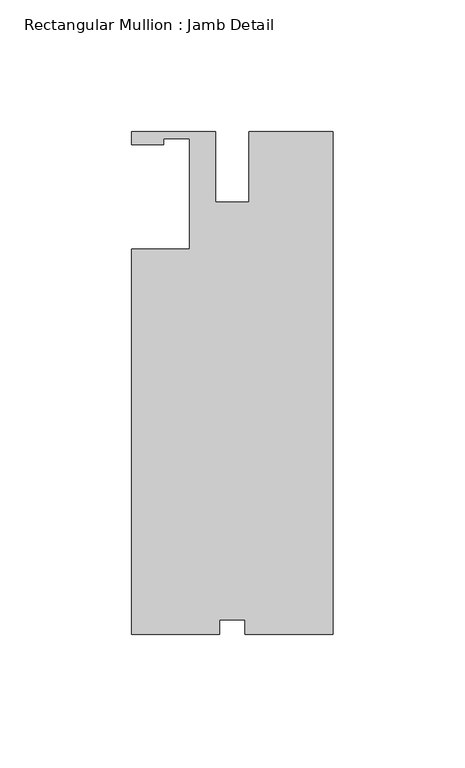
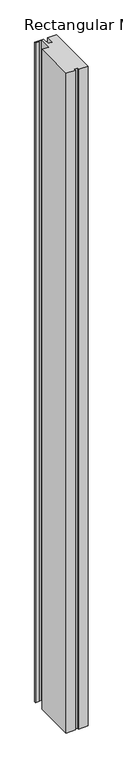
"""IFC4 building model written with IfcOpenShell, lengths in millimetres: member geometry, Rectangular Mullion : Jamb Detail."""

from ifc_helpers import new_model, si_unit, frame, origin, place, context, project, spatial, polyline, outline, extrude, source, transform, mapped, element, save


def rectangular_mullion_jamb_detail_3136499e(model_context):
    return source(origin(), model_context, "Body", "SweptSolid", [
        extrude(outline(polyline([(0.0, 25.4), (0.0, -165.1), (-33.3248, -165.1), (-33.3248, -159.5882), (-42.8752, -159.5882), (-42.8752, -165.1), (-76.2, -165.1), (-76.2, -19.05), (-54.3306, -19.05), (-54.3306, 22.86), (-64.1096, 22.86), (-64.1096, 20.5232), (-76.2, 20.5232), (-76.2, 25.4), (-44.45, 25.4), (-44.45, -1.1731625), (-31.75, -1.1731625), (-31.75, 25.4), (0.0, 25.4)])), frame((0.0, 0.0, -2438.4), z_axis=(0.0, 0.0, 1.0), x_axis=(1.0, 0.0, 0.0)), (0.0, 0.0, 1.0), 2438.4),
    ])


if __name__ == "__main__":
    model = new_model("IFC4")
    model_context = context("Model", 3, world=origin())
    ifc_project = project(units=[si_unit("LENGTHUNIT", "METRE", prefix="MILLI")], contexts=[model_context])
    site = spatial("IfcSite", under=ifc_project)
    building = spatial("IfcBuilding", under=site)
    placement = place(None, origin())
    rectangular_mullion_jamb_detail_shape = rectangular_mullion_jamb_detail_3136499e(model_context)
    element("IfcMember", 1, ObjectType="Rectangular Mullion : Jamb Detail", at=placement, inside=building, context=model_context, shape_type="MappedRepresentation", body=[
        mapped(rectangular_mullion_jamb_detail_shape, transform((0.0, 0.0, 0.0), x_axis=(1.0, 0.0, 0.0), y_axis=(0.0, 1.0, 0.0), z_axis=(0.0, 0.0, 1.0))),
    ])
    save(model, "model.ifc")
